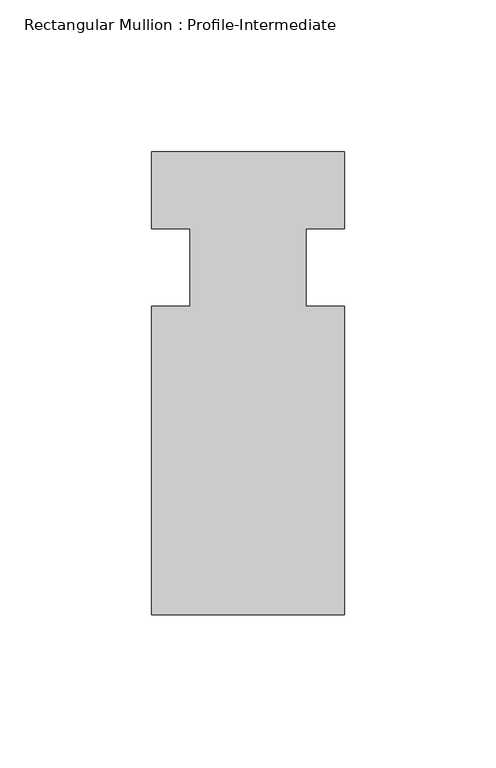
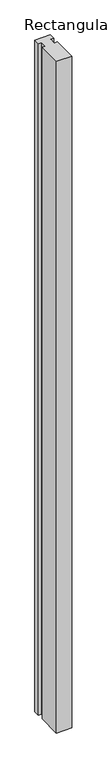
"""IFC4 building model written with IfcOpenShell, lengths in millimetres: member geometry, Rectangular Mullion : Profile-Intermediate."""

from ifc_helpers import new_model, si_unit, frame, origin, place, context, project, spatial, polyline, outline, extrude, source, transform, mapped, element, save


def rectangular_mullion_profile_intermediate_cab2200b(model_context):
    return source(origin(), model_context, "Body", "SweptSolid", [
        extrude(outline(polyline([(-63.5, 38.1), (0.0, 38.1), (0.0, 12.7), (-12.7, 12.7), (-12.7, -12.7), (0.0, -12.7), (0.0, -114.3), (-63.5, -114.3), (-63.5, -12.7), (-50.8, -12.7), (-50.8, 12.7), (-63.5, 12.7), (-63.5, 38.1)])), frame((0.0, 0.0, -2921.0459743), z_axis=(0.0, 0.0, 1.0), x_axis=(1.0, 0.0, 0.0)), (0.0, 0.0, 1.0), 2921.0459743),
    ])


if __name__ == "__main__":
    model = new_model("IFC4")
    model_context = context("Model", 3, world=origin())
    ifc_project = project(units=[si_unit("LENGTHUNIT", "METRE", prefix="MILLI")], contexts=[model_context])
    site = spatial("IfcSite", under=ifc_project)
    building = spatial("IfcBuilding", under=site)
    placement = place(None, origin())
    rectangular_mullion_profile_intermediate_shape = rectangular_mullion_profile_intermediate_cab2200b(model_context)
    element("IfcMember", 1, ObjectType="Rectangular Mullion : Profile-Intermediate", at=placement, inside=building, context=model_context, shape_type="MappedRepresentation", body=[
        mapped(rectangular_mullion_profile_intermediate_shape, transform((0.0, 0.0, 0.0), x_axis=(1.0, 0.0, 0.0), y_axis=(0.0, 1.0, 0.0), z_axis=(0.0, 0.0, 1.0))),
    ])
    save(model, "model.ifc")
